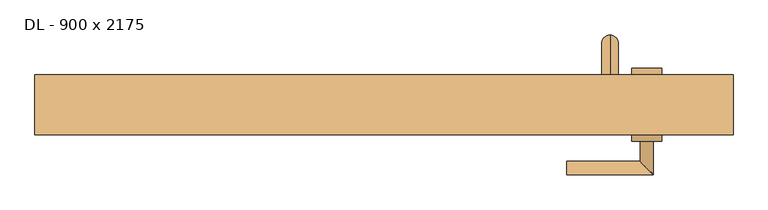
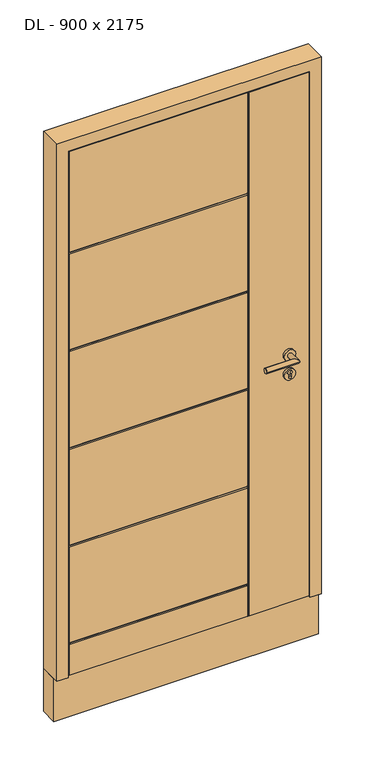
"""IFC4 building model written with IfcOpenShell, lengths in millimetres: door geometry, DL - 900 x 2175."""

from ifc_helpers import new_model, si_unit, point, frame, frame_2d, origin, place, context, project, spatial, polyline, circle_curve, ellipse_curve, trimmed, segment, composite_curve, outline, extrude, faceted_brep, source, transform, mapped, element, save
from ifc_brep_helpers import plane_surface, cylinder_surface, revolved_surface, advanced_brep


def dl_900_x_2175_0f89fcc1(model_context):
    return source(origin(), model_context, "Body", "SolidModel", [
        advanced_brep(
        [(340.0, 230.0, 1875.0), (340.0, 230.0, 1900.0), (340.0, 230.0, 225.0), (340.0, 230.0, 200.0), (340.0, 265.0, 225.0), (340.0, 290.0, 200.0), (340.0, 290.0, 1900.0), (340.0, 265.0, 1875.0)],
        [
            (0, 1, circle_curve(frame((340.0, 230.0, 1887.5), z_axis=(0.0, -1.0, 0.0), x_axis=(0.0, 0.0, 1.0)), 12.5)),
            (1, 0, circle_curve(frame((340.0, 230.0, 1887.5), z_axis=(0.0, -1.0, 0.0), x_axis=(0.0, 0.0, 1.0)), 12.5)),
            (2, 3, circle_curve(frame((340.0, 230.0, 212.5), z_axis=(0.0, -1.0, 0.0), x_axis=(0.0, 0.0, -1.0)), 12.5)),
            (3, 2, circle_curve(frame((340.0, 230.0, 212.5), z_axis=(0.0, -1.0, 0.0), x_axis=(0.0, 0.0, -1.0)), 12.5)),
            (4, 2),
            (3, 5),
            (5, 4, ellipse_curve(frame((340.0, 277.5, 212.5), z_axis=(0.0, -0.7071067811865475, -0.7071067811865475), x_axis=(0.0, 0.7071067811865476, -0.7071067811865474)), 17.6776695, 12.5)),
            (4, 5, ellipse_curve(frame((340.0, 277.5, 212.5), z_axis=(0.0, -0.7071067811865475, -0.7071067811865475), x_axis=(0.0, 0.7071067811865476, -0.7071067811865474)), 17.6776695, 12.5)),
            (6, 5),
            (4, 7),
            (7, 6, ellipse_curve(frame((340.0, 277.5, 1887.5), z_axis=(0.0, 0.7071067811865475, -0.7071067811865475), x_axis=(0.0, 0.7071067811865474, 0.7071067811865476)), 17.6776695, 12.5)),
            (6, 7, ellipse_curve(frame((340.0, 277.5, 1887.5), z_axis=(0.0, 0.7071067811865475, -0.7071067811865475), x_axis=(0.0, 0.7071067811865474, 0.7071067811865476)), 17.6776695, 12.5)),
            (1, 6),
            (7, 0),
        ],
        [
            plane_surface(frame((340.0, 230.0, 1900.0), z_axis=(0.0, -1.0, 0.0), x_axis=(-1.0, 0.0, 0.0))),
            plane_surface(frame((340.0, 230.0, 200.0), z_axis=(0.0, -1.0, 0.0), x_axis=(-1.0, 0.0, 0.0))),
            cylinder_surface(frame((340.0, 290.0, 212.5), z_axis=(0.0, 1.0, 0.0), x_axis=(0.0, 0.0, -1.0)), 12.5),
            cylinder_surface(frame((340.0, 277.5, 1900.0), z_axis=(0.0, 0.0, 1.0), x_axis=(0.0, 1.0, 0.0)), 12.5),
            cylinder_surface(frame((340.0, 230.0, 1887.5), z_axis=(0.0, -1.0, 0.0), x_axis=(0.0, 0.0, 1.0)), 12.5),
        ],
        [
            (0, [[1, 2]]),
            (1, [[3, 4]]),
            (2, [[5, -4, 6, 7]]),
            (2, [[-6, -3, -5, 8]]),
            (3, [[9, -8, 10, 11]]),
            (3, [[-10, -7, -9, 12]]),
            (4, [[13, -11, 14, -2]]),
            (4, [[-14, -12, -13, -1]]),
        ],
    ),
        advanced_brep(
        [(417.5, 230.0, 970.0), (372.5, 230.0, 970.0), (417.5, 240.0, 970.0), (372.5, 240.0, 970.0), (400.0, 240.0, 958.5), (400.0, 240.0, 971.1261365), (390.0, 240.0, 971.1261365), (390.0, 240.0, 958.5), (400.0, 232.0, 958.5), (400.0, 232.0, 971.1261365), (390.0, 232.0, 971.1261365), (390.0, 232.0, 958.5)],
        [
            (0, 1, circle_curve(frame((395.0, 230.0, 970.0), z_axis=(0.0, -1.0, 0.0), x_axis=(-1.0, 0.0, 0.0)), 22.5)),
            (1, 0, circle_curve(frame((395.0, 230.0, 970.0), z_axis=(0.0, -1.0, 0.0), x_axis=(-1.0, 0.0, 0.0)), 22.5)),
            (2, 3, circle_curve(frame((395.0, 240.0, 970.0), z_axis=(0.0, 1.0, 0.0), x_axis=(-1.0, 0.0, 0.0)), 22.5)),
            (3, 2, circle_curve(frame((395.0, 240.0, 970.0), z_axis=(0.0, 1.0, 0.0), x_axis=(-1.0, 0.0, 0.0)), 22.5)),
            (4, 5),
            (5, 6, circle_curve(frame((395.0, 240.0, 978.0), z_axis=(0.0, -1.0, 0.0), x_axis=(-1.0, 0.0, 0.0)), 8.5)),
            (6, 7),
            (7, 4, circle_curve(frame((395.0, 240.0, 958.5), z_axis=(0.0, -1.0, 0.0), x_axis=(-1.0, 0.0, 0.0)), 5.0)),
            (1, 3),
            (2, 0),
            (4, 8),
            (8, 9),
            (9, 5),
            (9, 10, circle_curve(frame((395.0, 232.0, 978.0), z_axis=(0.0, -1.0, 0.0), x_axis=(-1.0, 0.0, 0.0)), 8.5)),
            (10, 6),
            (10, 11),
            (11, 7),
            (11, 8, circle_curve(frame((395.0, 232.0, 958.5), z_axis=(0.0, -1.0, 0.0), x_axis=(-1.0, 0.0, 0.0)), 5.0)),
        ],
        [
            plane_surface(frame((372.5, 230.0, 970.0), z_axis=(0.0, -1.0, 0.0), x_axis=(0.0, 0.0, 1.0))),
            plane_surface(frame((372.5, 240.0, 970.0), z_axis=(0.0, 1.0, 0.0), x_axis=(0.0, 0.0, -1.0))),
            cylinder_surface(frame((395.0, 240.0, 970.0), z_axis=(0.0, -1.0, 0.0), x_axis=(-1.0, 0.0, 0.0)), 22.5),
            plane_surface(frame((400.0, 230.0, 958.5), z_axis=(-1.0, 0.0, 0.0), x_axis=(0.0, 1.0, 0.0))),
            revolved_surface(polyline([(386.5, 240.0, 978.0), (386.5, 232.0, 978.0)]), (395.0, 230.0, 978.0), (0.0, 1.0, 0.0)),
            plane_surface(frame((390.0, 230.0, 971.1261365), z_axis=(1.0, 0.0, 0.0), x_axis=(0.0, 1.0, 0.0))),
            revolved_surface(polyline([(390.0, 240.0, 958.5), (390.0, 232.0, 958.5)]), (395.0, 230.0, 958.5), (0.0, 1.0, 0.0)),
            plane_surface(frame((386.5, 232.0, 978.0), z_axis=(0.0, 1.0, 0.0), x_axis=(0.0, 0.0, -1.0))),
        ],
        [
            (0, [[1, 2]]),
            (1, [[3, 4], [5, 6, 7, 8]]),
            (2, [[9, -3, 10, -2]]),
            (2, [[-10, -4, -9, -1]]),
            (3, [[11, 12, 13, -5]]),
            (4, [[-13, 14, 15, -6]]),
            (5, [[-15, 16, 17, -7]]),
            (6, [[-17, 18, -11, -8]]),
            (7, [[-18, -16, -14, -12]]),
        ],
    ),
        advanced_brep(
        [(-476.0, 140.0, 8.0), (232.0, 140.0, 8.0), (232.0, 140.0, 136.0), (-476.0, 140.0, 136.0), (-476.0, 140.0, 144.0), (232.0, 140.0, 144.0), (232.0, 140.0, 545.2), (-476.0, 140.0, 545.2), (232.0, 140.0, 553.2), (232.0, 140.0, 954.4), (-476.0, 140.0, 954.4), (-476.0, 140.0, 553.2), (232.0, 140.0, 962.4), (232.0, 140.0, 1363.6), (-476.0, 140.0, 1363.6), (-476.0, 140.0, 962.4), (232.0, 140.0, 1371.6), (232.0, 140.0, 1772.8), (-476.0, 140.0, 1772.8), (-476.0, 140.0, 1371.6), (-476.0, 140.0, 2201.0), (-476.0, 140.0, 1780.8), (232.0, 140.0, 1780.8), (232.0, 140.0, 2201.0), (476.0, 140.0, 2201.0), (240.0, 140.0, 2201.0), (240.0, 140.0, 8.0), (476.0, 140.0, 8.0), (476.0, 160.0, 8.0), (476.0, 160.0, 2201.0), (-476.0, 160.0, 8.0), (-476.0, 160.0, 2201.0), (-461.0, 160.0, 2186.0), (-461.0, 160.0, 20.0), (461.0, 160.0, 20.0), (461.0, 160.0, 2186.0), (461.0, 210.0, 20.0), (461.0, 210.0, 2186.0), (-461.0, 210.0, 20.0), (-461.0, 210.0, 2186.0), (-446.0, 210.0, 2171.0), (-446.0, 210.0, 140.0), (446.0, 210.0, 140.0), (446.0, 210.0, 2171.0), (446.0, 230.0, 140.0), (446.0, 230.0, 2171.0), (-446.0, 230.0, 553.2), (-446.0, 230.0, 954.4), (232.0, 230.0, 954.4), (232.0, 230.0, 553.2), (-446.0, 230.0, 962.4), (-446.0, 230.0, 1363.6), (232.0, 230.0, 1363.6), (232.0, 230.0, 962.4), (-446.0, 230.0, 1371.6), (-446.0, 230.0, 1772.8), (232.0, 230.0, 1772.8), (232.0, 230.0, 1371.6), (240.0, 230.0, 140.0), (240.0, 230.0, 2171.0), (-446.0, 230.0, 545.2), (232.0, 230.0, 545.2), (232.0, 230.0, 140.0), (-446.0, 230.0, 140.0), (232.0, 230.0, 2171.0), (232.0, 230.0, 1780.8), (-446.0, 230.0, 1780.8), (-446.0, 230.0, 2171.0), (-446.0, 226.0, 1776.8), (-446.0, 226.0, 1367.6), (-446.0, 226.0, 958.4), (-446.0, 226.0, 549.2), (-476.0, 144.0, 140.0), (-476.0, 144.0, 549.2), (-476.0, 144.0, 958.4), (-476.0, 144.0, 1367.6), (-476.0, 144.0, 1776.8), (236.0, 144.0, 2201.0), (236.0, 226.0, 2171.0), (236.0, 144.0, 8.0), (236.0, 226.0, 140.0), (236.0, 226.0, 549.2), (236.0, 144.0, 549.2), (236.0, 144.0, 140.0), (236.0, 226.0, 958.4), (236.0, 226.0, 1367.6), (236.0, 226.0, 1776.8), (236.0, 144.0, 1776.8), (236.0, 144.0, 1367.6), (236.0, 144.0, 958.4)],
        [
            (0, 1),
            (1, 2),
            (2, 3),
            (3, 0),
            (4, 5),
            (5, 6),
            (6, 7),
            (7, 4),
            (8, 9),
            (9, 10),
            (10, 11),
            (11, 8),
            (12, 13),
            (13, 14),
            (14, 15),
            (15, 12),
            (16, 17),
            (17, 18),
            (18, 19),
            (19, 16),
            (20, 21),
            (21, 22),
            (22, 23),
            (23, 20),
            (24, 25),
            (25, 26),
            (26, 27),
            (27, 24),
            (27, 28),
            (28, 29),
            (29, 24),
            (28, 30),
            (30, 31),
            (31, 29),
            (32, 33),
            (33, 34),
            (34, 35),
            (35, 32),
            (34, 36),
            (36, 37),
            (37, 35),
            (36, 38),
            (38, 39),
            (39, 37),
            (40, 41),
            (41, 42),
            (42, 43),
            (43, 40),
            (42, 44),
            (44, 45),
            (45, 43),
            (46, 47),
            (47, 48),
            (48, 49),
            (49, 46),
            (50, 51),
            (51, 52),
            (52, 53),
            (53, 50),
            (54, 55),
            (55, 56),
            (56, 57),
            (57, 54),
            (44, 58),
            (58, 59),
            (59, 45),
            (60, 61),
            (61, 62),
            (62, 63),
            (63, 60),
            (64, 65),
            (65, 66),
            (66, 67),
            (67, 64),
            (66, 68, circle_curve(frame((-446.0, 226.0, 1780.8), z_axis=(-1.0, 0.0, 0.0), x_axis=(0.0, 1.0, 0.0)), 4.0)),
            (68, 55, circle_curve(frame((-446.0, 226.0, 1772.8), z_axis=(-1.0, 0.0, 0.0), x_axis=(0.0, 1.0, 0.0)), 4.0)),
            (54, 69, circle_curve(frame((-446.0, 226.0, 1371.6), z_axis=(-1.0, 0.0, 0.0), x_axis=(0.0, 1.0, 0.0)), 4.0)),
            (69, 51, circle_curve(frame((-446.0, 226.0, 1363.6), z_axis=(-1.0, 0.0, 0.0), x_axis=(0.0, 1.0, 0.0)), 4.0)),
            (50, 70, circle_curve(frame((-446.0, 226.0, 962.4), z_axis=(-1.0, 0.0, 0.0), x_axis=(0.0, 1.0, 0.0)), 4.0)),
            (70, 47, circle_curve(frame((-446.0, 226.0, 954.4), z_axis=(-1.0, 0.0, 0.0), x_axis=(0.0, 1.0, 0.0)), 4.0)),
            (46, 71, circle_curve(frame((-446.0, 226.0, 553.2), z_axis=(-1.0, 0.0, 0.0), x_axis=(0.0, 1.0, 0.0)), 4.0)),
            (71, 60, circle_curve(frame((-446.0, 226.0, 545.2), z_axis=(-1.0, 0.0, 0.0), x_axis=(0.0, 1.0, 0.0)), 4.0)),
            (63, 41),
            (40, 67),
            (38, 33),
            (32, 39),
            (30, 0),
            (3, 72, circle_curve(frame((-476.0, 144.0, 136.0), z_axis=(-1.0, 0.0, 0.0), x_axis=(0.0, -1.0, 0.0)), 4.0)),
            (72, 4, circle_curve(frame((-476.0, 144.0, 144.0), z_axis=(-1.0, 0.0, 0.0), x_axis=(0.0, -1.0, 0.0)), 4.0)),
            (7, 73, circle_curve(frame((-476.0, 144.0, 545.2), z_axis=(-1.0, 0.0, 0.0), x_axis=(0.0, -1.0, 0.0)), 4.0)),
            (73, 11, circle_curve(frame((-476.0, 144.0, 553.2), z_axis=(-1.0, 0.0, 0.0), x_axis=(0.0, -1.0, 0.0)), 4.0)),
            (10, 74, circle_curve(frame((-476.0, 144.0, 954.4), z_axis=(-1.0, 0.0, 0.0), x_axis=(0.0, -1.0, 0.0)), 4.0)),
            (74, 15, circle_curve(frame((-476.0, 144.0, 962.4), z_axis=(-1.0, 0.0, 0.0), x_axis=(0.0, -1.0, 0.0)), 4.0)),
            (14, 75, circle_curve(frame((-476.0, 144.0, 1363.6), z_axis=(-1.0, 0.0, 0.0), x_axis=(0.0, -1.0, 0.0)), 4.0)),
            (75, 19, circle_curve(frame((-476.0, 144.0, 1371.6), z_axis=(-1.0, 0.0, 0.0), x_axis=(0.0, -1.0, 0.0)), 4.0)),
            (18, 76, circle_curve(frame((-476.0, 144.0, 1772.8), z_axis=(-1.0, 0.0, 0.0), x_axis=(0.0, -1.0, 0.0)), 4.0)),
            (76, 21, circle_curve(frame((-476.0, 144.0, 1780.8), z_axis=(-1.0, 0.0, 0.0), x_axis=(0.0, -1.0, 0.0)), 4.0)),
            (20, 31),
            (23, 77, circle_curve(frame((232.0, 144.0, 2201.0), z_axis=(0.0, 0.0, 1.0), x_axis=(0.0, -1.0, 0.0)), 4.0)),
            (77, 25, circle_curve(frame((240.0, 144.0, 2201.0), z_axis=(0.0, 0.0, 1.0), x_axis=(0.0, -1.0, 0.0)), 4.0)),
            (59, 78, circle_curve(frame((240.0, 226.0, 2171.0), z_axis=(0.0, 0.0, 1.0), x_axis=(0.0, 1.0, 0.0)), 4.0)),
            (78, 64, circle_curve(frame((232.0, 226.0, 2171.0), z_axis=(0.0, 0.0, 1.0), x_axis=(0.0, 1.0, 0.0)), 4.0)),
            (26, 79, circle_curve(frame((240.0, 144.0, 8.0), z_axis=(0.0, 0.0, -1.0), x_axis=(0.0, -1.0, 0.0)), 4.0)),
            (79, 1, circle_curve(frame((232.0, 144.0, 8.0), z_axis=(0.0, 0.0, -1.0), x_axis=(0.0, -1.0, 0.0)), 4.0)),
            (62, 80, circle_curve(frame((232.0, 226.0, 140.0), z_axis=(0.0, 0.0, -1.0), x_axis=(0.0, 1.0, 0.0)), 4.0)),
            (80, 58, circle_curve(frame((240.0, 226.0, 140.0), z_axis=(0.0, 0.0, -1.0), x_axis=(0.0, 1.0, 0.0)), 4.0)),
            (81, 61, ellipse_curve(frame((232.0, 226.0, 545.2), z_axis=(-0.7071067811865475, 0.0, 0.7071067811865476), x_axis=(-0.7071067811865476, 0.0, -0.7071067811865475)), 5.6568542, 4.0)),
            (71, 81),
            (49, 81, ellipse_curve(frame((232.0, 226.0, 553.2), z_axis=(-0.7071067811865475, 0.0, -0.7071067811865475), x_axis=(-0.7071067811865476, 0.0, 0.7071067811865474)), 5.6568542, 4.0)),
            (6, 82, ellipse_curve(frame((232.0, 144.0, 545.2), z_axis=(-0.7071067811865475, 0.0, 0.7071067811865475), x_axis=(0.7071067811865476, 0.0, 0.7071067811865474)), 5.6568542, 4.0)),
            (82, 73),
            (82, 8, ellipse_curve(frame((232.0, 144.0, 553.2), z_axis=(-0.7071067811865475, 0.0, -0.7071067811865476), x_axis=(0.7071067811865476, 0.0, -0.7071067811865475)), 5.6568542, 4.0)),
            (2, 83, ellipse_curve(frame((232.0, 144.0, 136.0), z_axis=(-0.7071067811865475, 0.0, 0.7071067811865475), x_axis=(-0.7071067811865476, 0.0, -0.7071067811865474)), 5.6568542, 4.0)),
            (83, 72),
            (83, 5, ellipse_curve(frame((232.0, 144.0, 144.0), z_axis=(-0.7071067811865475, 0.0, -0.7071067811865476), x_axis=(-0.7071067811865476, 0.0, 0.7071067811865475)), 5.6568542, 4.0)),
            (81, 84),
            (84, 85),
            (85, 86),
            (86, 78),
            (80, 81),
            (48, 84, ellipse_curve(frame((232.0, 226.0, 954.4), z_axis=(0.7071067811865475, 0.0, -0.7071067811865476), x_axis=(0.7071067811865476, 0.0, 0.7071067811865474)), 5.6568542, 4.0)),
            (52, 85, ellipse_curve(frame((232.0, 226.0, 1363.6), z_axis=(0.7071067811865475, 0.0, -0.7071067811865476), x_axis=(0.7071067811865476, 0.0, 0.7071067811865474)), 5.6568542, 4.0)),
            (84, 53, ellipse_curve(frame((232.0, 226.0, 962.4), z_axis=(0.7071067811865475, 0.0, 0.7071067811865475), x_axis=(-0.7071067811865474, 0.0, 0.7071067811865477)), 5.6568542, 4.0)),
            (56, 86, ellipse_curve(frame((232.0, 226.0, 1772.8), z_axis=(0.7071067811865475, 0.0, -0.7071067811865476), x_axis=(0.7071067811865476, 0.0, 0.7071067811865474)), 5.6568542, 4.0)),
            (85, 57, ellipse_curve(frame((232.0, 226.0, 1371.6), z_axis=(0.7071067811865475, 0.0, 0.7071067811865475), x_axis=(-0.7071067811865474, 0.0, 0.7071067811865477)), 5.6568542, 4.0)),
            (86, 65, ellipse_curve(frame((232.0, 226.0, 1780.8), z_axis=(0.7071067811865475, 0.0, 0.7071067811865475), x_axis=(-0.7071067811865474, 0.0, 0.7071067811865477)), 5.6568542, 4.0)),
            (70, 84),
            (83, 79),
            (77, 87),
            (87, 88),
            (88, 89),
            (89, 82),
            (82, 83),
            (22, 87, ellipse_curve(frame((232.0, 144.0, 1780.8), z_axis=(0.7071067811865475, 0.0, 0.7071067811865476), x_axis=(0.7071067811865476, 0.0, -0.7071067811865474)), 5.6568542, 4.0)),
            (87, 17, ellipse_curve(frame((232.0, 144.0, 1772.8), z_axis=(0.7071067811865475, 0.0, -0.7071067811865475), x_axis=(-0.7071067811865474, 0.0, -0.7071067811865477)), 5.6568542, 4.0)),
            (16, 88, ellipse_curve(frame((232.0, 144.0, 1371.6), z_axis=(0.7071067811865475, 0.0, 0.7071067811865476), x_axis=(0.7071067811865476, 0.0, -0.7071067811865474)), 5.6568542, 4.0)),
            (88, 13, ellipse_curve(frame((232.0, 144.0, 1363.6), z_axis=(0.7071067811865475, 0.0, -0.7071067811865475), x_axis=(-0.7071067811865474, 0.0, -0.7071067811865477)), 5.6568542, 4.0)),
            (12, 89, ellipse_curve(frame((232.0, 144.0, 962.4), z_axis=(0.7071067811865475, 0.0, 0.7071067811865476), x_axis=(0.7071067811865476, 0.0, -0.7071067811865474)), 5.6568542, 4.0)),
            (89, 9, ellipse_curve(frame((232.0, 144.0, 954.4), z_axis=(0.7071067811865475, 0.0, -0.7071067811865475), x_axis=(-0.7071067811865474, 0.0, -0.7071067811865477)), 5.6568542, 4.0)),
            (89, 74),
            (88, 75),
            (69, 85),
            (87, 76),
            (68, 86),
        ],
        [
            plane_surface(frame((476.0, 140.0, 2201.0), z_axis=(0.0, -1.0, 0.0), x_axis=(0.0, 0.0, -1.0))),
            plane_surface(frame((476.0, 230.0, 2201.0), z_axis=(1.0, 0.0, 0.0), x_axis=(0.0, 0.0, -1.0))),
            plane_surface(frame((461.0, 160.0, 0.0), z_axis=(0.0, 1.0, 0.0), x_axis=(0.0, 0.0, 1.0))),
            plane_surface(frame((461.0, 210.0, 0.0), z_axis=(1.0, 0.0, 0.0), x_axis=(0.0, 0.0, 1.0))),
            plane_surface(frame((446.0, 210.0, 0.0), z_axis=(0.0, 1.0, 0.0), x_axis=(0.0, 0.0, 1.0))),
            plane_surface(frame((446.0, 230.0, 0.0), z_axis=(1.0, 0.0, 0.0), x_axis=(0.0, 0.0, 1.0))),
            plane_surface(frame((-476.0, 230.0, 2201.0), z_axis=(0.0, 1.0, 0.0), x_axis=(0.0, 0.0, -1.0))),
            plane_surface(frame((-446.0, 230.0, 2171.0), z_axis=(-1.0, 0.0, 0.0), x_axis=(0.0, 0.0, -1.0))),
            plane_surface(frame((-461.0, 210.0, 2186.0), z_axis=(-1.0, 0.0, 0.0), x_axis=(0.0, 0.0, -1.0))),
            plane_surface(frame((-476.0, 140.0, 2201.0), z_axis=(-1.0, 0.0, 0.0), x_axis=(0.0, 0.0, -1.0))),
            plane_surface(frame((476.0, 230.0, 2201.0), z_axis=(0.0, 0.0, 1.0), x_axis=(1.0, 0.0, 0.0))),
            plane_surface(frame((446.0, 230.0, 2171.0), z_axis=(0.0, 0.0, 1.0), x_axis=(-1.0, 0.0, 0.0))),
            plane_surface(frame((461.0, 210.0, 2186.0), z_axis=(0.0, 0.0, 1.0), x_axis=(-1.0, 0.0, 0.0))),
            plane_surface(frame((-476.0, 230.0, 20.0), z_axis=(0.0, 0.0, -1.0), x_axis=(1.0, 0.0, 0.0))),
            plane_surface(frame((-476.0, 160.0, 8.0), z_axis=(0.0, 0.0, -1.0), x_axis=(1.0, 0.0, 0.0))),
            plane_surface(frame((-476.0, 230.0, 140.0), z_axis=(0.0, 0.0, -1.0), x_axis=(1.0, 0.0, 0.0))),
            cylinder_surface(frame((236.0, 226.0, 545.2), z_axis=(-1.0, 0.0, 0.0), x_axis=(0.0, 1.0, 0.0)), 4.0),
            cylinder_surface(frame((236.0, 226.0, 553.2), z_axis=(-1.0, 0.0, 0.0), x_axis=(0.0, 1.0, 0.0)), 4.0),
            cylinder_surface(frame((-516.0, 144.0, 545.2), z_axis=(1.0, 0.0, 0.0), x_axis=(0.0, -1.0, 0.0)), 4.0),
            cylinder_surface(frame((-516.0, 144.0, 553.2), z_axis=(1.0, 0.0, 0.0), x_axis=(0.0, -1.0, 0.0)), 4.0),
            cylinder_surface(frame((236.0, 144.0, 136.0), z_axis=(-1.0, 0.0, 0.0), x_axis=(0.0, -1.0, 0.0)), 4.0),
            cylinder_surface(frame((236.0, 144.0, 144.0), z_axis=(-1.0, 0.0, 0.0), x_axis=(0.0, -1.0, 0.0)), 4.0),
            cylinder_surface(frame((240.0, 226.0, -10.0), z_axis=(0.0, 0.0, 1.0), x_axis=(0.0, 1.0, 0.0)), 4.0),
            cylinder_surface(frame((232.0, 226.0, -10.0), z_axis=(0.0, 0.0, 1.0), x_axis=(0.0, 1.0, 0.0)), 4.0),
            cylinder_surface(frame((236.0, 226.0, 954.4), z_axis=(-1.0, 0.0, 0.0), x_axis=(0.0, 1.0, 0.0)), 4.0),
            cylinder_surface(frame((236.0, 226.0, 962.4), z_axis=(-1.0, 0.0, 0.0), x_axis=(0.0, 1.0, 0.0)), 4.0),
            cylinder_surface(frame((240.0, 144.0, 2211.0), z_axis=(0.0, 0.0, -1.0), x_axis=(0.0, -1.0, 0.0)), 4.0),
            cylinder_surface(frame((232.0, 144.0, 2211.0), z_axis=(0.0, 0.0, -1.0), x_axis=(0.0, -1.0, 0.0)), 4.0),
            cylinder_surface(frame((-516.0, 144.0, 954.4), z_axis=(1.0, 0.0, 0.0), x_axis=(0.0, -1.0, 0.0)), 4.0),
            cylinder_surface(frame((-516.0, 144.0, 962.4), z_axis=(1.0, 0.0, 0.0), x_axis=(0.0, -1.0, 0.0)), 4.0),
            cylinder_surface(frame((-516.0, 144.0, 1363.6), z_axis=(1.0, 0.0, 0.0), x_axis=(0.0, -1.0, 0.0)), 4.0),
            cylinder_surface(frame((-516.0, 144.0, 1371.6), z_axis=(1.0, 0.0, 0.0), x_axis=(0.0, -1.0, 0.0)), 4.0),
            cylinder_surface(frame((236.0, 226.0, 1363.6), z_axis=(-1.0, 0.0, 0.0), x_axis=(0.0, 1.0, 0.0)), 4.0),
            cylinder_surface(frame((236.0, 226.0, 1371.6), z_axis=(-1.0, 0.0, 0.0), x_axis=(0.0, 1.0, 0.0)), 4.0),
            cylinder_surface(frame((-516.0, 144.0, 1772.8), z_axis=(1.0, 0.0, 0.0), x_axis=(0.0, -1.0, 0.0)), 4.0),
            cylinder_surface(frame((-516.0, 144.0, 1780.8), z_axis=(1.0, 0.0, 0.0), x_axis=(0.0, -1.0, 0.0)), 4.0),
            cylinder_surface(frame((236.0, 226.0, 1772.8), z_axis=(-1.0, 0.0, 0.0), x_axis=(0.0, 1.0, 0.0)), 4.0),
            cylinder_surface(frame((236.0, 226.0, 1780.8), z_axis=(-1.0, 0.0, 0.0), x_axis=(0.0, 1.0, 0.0)), 4.0),
        ],
        [
            (0, [[1, 2, 3, 4]]),
            (0, [[5, 6, 7, 8]]),
            (0, [[9, 10, 11, 12]]),
            (0, [[13, 14, 15, 16]]),
            (0, [[17, 18, 19, 20]]),
            (0, [[21, 22, 23, 24]]),
            (0, [[25, 26, 27, 28]]),
            (1, [[-28, 29, 30, 31]]),
            (2, [[-30, 32, 33, 34], [35, 36, 37, 38]]),
            (3, [[-37, 39, 40, 41]]),
            (4, [[-40, 42, 43, 44], [45, 46, 47, 48]]),
            (5, [[-47, 49, 50, 51]]),
            (6, [[52, 53, 54, 55]]),
            (6, [[56, 57, 58, 59]]),
            (6, [[60, 61, 62, 63]]),
            (6, [[64, 65, 66, -50]]),
            (6, [[67, 68, 69, 70]]),
            (6, [[71, 72, 73, 74]]),
            (7, [[-73, 75, 76, -60, 77, 78, -56, 79, 80, -52, 81, 82, -70, 83, -45, 84]]),
            (8, [[-43, 85, -35, 86]]),
            (9, [[-33, 87, -4, 88, 89, -8, 90, 91, -11, 92, 93, -15, 94, 95, -19, 96, 97, -21, 98]]),
            (10, [[-34, -98, -24, 99, 100, -25, -31]]),
            (11, [[-66, 101, 102, -74, -84, -48, -51]]),
            (12, [[-86, -38, -41, -44]]),
            (13, [[-85, -42, -39, -36]]),
            (14, [[-27, 103, 104, -1, -87, -32, -29]]),
            (15, [[-83, -69, 105, 106, -64, -49, -46]]),
            (16, [[107, -67, -82, 108]]),
            (17, [[-81, -55, 109, -108]]),
            (18, [[-90, -7, 110, 111]]),
            (19, [[112, -12, -91, -111]]),
            (20, [[-88, -3, 113, 114]]),
            (21, [[115, -5, -89, -114]]),
            (22, [[116, 117, 118, 119, -101, -65, -106, 120]]),
            (23, [[-54, 121, -116, -109]]),
            (23, [[-58, 122, -117, 123]]),
            (23, [[-62, 124, -118, 125]]),
            (23, [[-105, -68, -107, -120]]),
            (23, [[-119, 126, -71, -102]]),
            (24, [[-121, -53, -80, 127]]),
            (25, [[-79, -59, -123, -127]]),
            (26, [[128, -103, -26, -100, 129, 130, 131, 132, 133]]),
            (27, [[-23, 134, -129, -99]]),
            (27, [[-110, -6, -115, -133]]),
            (27, [[-113, -2, -104, -128]]),
            (27, [[-130, 135, -17, 136]]),
            (27, [[-131, 137, -13, 138]]),
            (27, [[-132, 139, -9, -112]]),
            (28, [[-92, -10, -139, 140]]),
            (29, [[-138, -16, -93, -140]]),
            (30, [[-94, -14, -137, 141]]),
            (31, [[-136, -20, -95, -141]]),
            (32, [[-122, -57, -78, 142]]),
            (33, [[-77, -63, -125, -142]]),
            (34, [[-96, -18, -135, 143]]),
            (35, [[-134, -22, -97, -143]]),
            (36, [[-124, -61, -76, 144]]),
            (37, [[-75, -72, -126, -144]]),
        ],
    ),
        extrude(outline(polyline([(210.0, 140.0), (226.0, 140.0), (226.0, 136.0), (230.0, 136.0), (230.0, 20.0), (225.9609036, 20.0), (225.9609036, 24.0), (221.9609036, 24.0), (221.9609036, 20.0), (210.0, 20.0), (210.0, 140.0)])), frame((-446.0, 0.0, 0.0), z_axis=(1.0, 0.0, 0.0), x_axis=(0.0, 1.0, 0.0)), (0.0, 0.0, 1.0), 892.0),
        faceted_brep([(446.0, 210.0, 0.0), (446.0, 230.0, 0.0), (446.0, 230.0, 7.0), (446.0, 210.0, 9.0), (-446.0, 210.0, 0.0), (-461.0, 210.0, 0.0), (-461.0, 210.0, 9.0), (-446.0, 210.0, 9.0), (461.0, 210.0, 9.0), (461.0, 210.0, 0.0), (461.0, 180.0, 12.0), (461.0, 180.0, 15.0), (461.0, 160.0, 15.0), (461.0, 160.0, 0.0), (-446.0, 230.0, 7.0), (-446.0, 230.0, 0.0), (-461.0, 160.0, 0.0), (-461.0, 160.0, 15.0), (-461.0, 180.0, 15.0), (-461.0, 180.0, 12.0)], [[[0, 1, 2, 3]], [[4, 5, 6, 7]], [[3, 8, 9, 0]], [[8, 10, 11, 12, 13, 9]], [[7, 14, 15, 4]], [[5, 16, 17, 18, 19, 6]], [[17, 16, 13, 12]], [[16, 5, 4, 15, 1, 0, 9, 13]], [[15, 14, 2, 1]], [[12, 11, 18, 17]], [[14, 7, 6, 19, 10, 8, 3, 2]], [[11, 10, 19, 18]]]),
        advanced_brep(
        [(417.5, 140.0, 970.0), (372.5, 140.0, 970.0), (417.5, 130.0, 970.0), (372.5, 130.0, 970.0), (400.0, 130.0, 958.5), (390.0, 130.0, 958.5), (390.0, 130.0, 971.1261365), (400.0, 130.0, 971.1261365), (400.0, 138.0, 971.1261365), (400.0, 138.0, 958.5), (390.0, 138.0, 971.1261365), (390.0, 138.0, 958.5)],
        [
            (0, 1, circle_curve(frame((395.0, 140.0, 970.0), z_axis=(0.0, 1.0, 0.0), x_axis=(-1.0, 0.0, 0.0)), 22.5)),
            (1, 0, circle_curve(frame((395.0, 140.0, 970.0), z_axis=(0.0, 1.0, 0.0), x_axis=(-1.0, 0.0, 0.0)), 22.5)),
            (2, 3, circle_curve(frame((395.0, 130.0, 970.0), z_axis=(0.0, -1.0, 0.0), x_axis=(-1.0, 0.0, 0.0)), 22.5)),
            (3, 2, circle_curve(frame((395.0, 130.0, 970.0), z_axis=(0.0, -1.0, 0.0), x_axis=(-1.0, 0.0, 0.0)), 22.5)),
            (4, 5, circle_curve(frame((395.0, 130.0, 958.5), z_axis=(0.0, 1.0, 0.0), x_axis=(-1.0, 0.0, 0.0)), 5.0)),
            (5, 6),
            (6, 7, circle_curve(frame((395.0, 130.0, 978.0), z_axis=(0.0, 1.0, 0.0), x_axis=(-1.0, 0.0, 0.0)), 8.5)),
            (7, 4),
            (0, 2),
            (3, 1),
            (7, 8),
            (8, 9),
            (9, 4),
            (6, 10),
            (10, 8, circle_curve(frame((395.0, 138.0, 978.0), z_axis=(0.0, 1.0, 0.0), x_axis=(-1.0, 0.0, 0.0)), 8.5)),
            (5, 11),
            (11, 10),
            (9, 11, circle_curve(frame((395.0, 138.0, 958.5), z_axis=(0.0, 1.0, 0.0), x_axis=(-1.0, 0.0, 0.0)), 5.0)),
        ],
        [
            plane_surface(frame((372.5, 140.0, 970.0), z_axis=(0.0, 1.0, 0.0), x_axis=(0.0, 0.0, 1.0))),
            plane_surface(frame((372.5, 130.0, 970.0), z_axis=(0.0, -1.0, 0.0), x_axis=(0.0, 0.0, -1.0))),
            cylinder_surface(frame((395.0, 130.0, 970.0), z_axis=(0.0, 1.0, 0.0), x_axis=(-1.0, 0.0, 0.0)), 22.5),
            plane_surface(frame((400.0, 140.0, 958.5), z_axis=(-1.0, 0.0, 0.0), x_axis=(0.0, -1.0, 0.0))),
            revolved_surface(polyline([(386.5, 130.0, 978.0), (386.5, 138.0, 978.0)]), (395.0, 140.0, 978.0), (0.0, -1.0, 0.0)),
            plane_surface(frame((390.0, 140.0, 971.1261365), z_axis=(1.0, 0.0, 0.0), x_axis=(0.0, -1.0, 0.0))),
            revolved_surface(polyline([(390.0, 130.0, 958.5), (390.0, 138.0, 958.5)]), (395.0, 140.0, 958.5), (0.0, -1.0, 0.0)),
            plane_surface(frame((400.0, 138.0, 958.5), z_axis=(0.0, -1.0, 0.0), x_axis=(0.0, 0.0, 1.0))),
        ],
        [
            (0, [[1, 2]]),
            (1, [[3, 4], [5, 6, 7, 8]]),
            (2, [[-1, 9, -4, 10]]),
            (2, [[-2, -10, -3, -9]]),
            (3, [[-8, 11, 12, 13]]),
            (4, [[-7, 14, 15, -11]]),
            (5, [[-6, 16, 17, -14]]),
            (6, [[-5, -13, 18, -16]]),
            (7, [[-12, -15, -17, -18]]),
        ],
    ),
        advanced_brep(
        [(385.0, 130.0, 1050.0), (405.0, 130.0, 1050.0), (385.0, 100.0, 1050.0), (405.0, 80.0, 1050.0), (275.0, 100.0, 1050.0), (275.0, 80.0, 1050.0)],
        [
            (0, 1, circle_curve(frame((395.0, 130.0, 1050.0), z_axis=(0.0, 1.0, 0.0), x_axis=(1.0, 0.0, 0.0)), 10.0)),
            (1, 0, circle_curve(frame((395.0, 130.0, 1050.0), z_axis=(0.0, 1.0, 0.0), x_axis=(1.0, 0.0, 0.0)), 10.0)),
            (0, 2),
            (2, 3, ellipse_curve(frame((395.0, 90.0, 1050.0), z_axis=(0.7071067811865486, 0.7071067811865464, 0.0), x_axis=(-0.7071067811865464, 0.7071067811865488, 0.0)), 14.1421356, 10.0)),
            (3, 1),
            (3, 2, ellipse_curve(frame((395.0, 90.0, 1050.0), z_axis=(0.7071067811865486, 0.7071067811865464, 0.0), x_axis=(-0.7071067811865464, 0.7071067811865488, 0.0)), 14.1421356, 10.0)),
            (4, 5, circle_curve(frame((275.0, 90.0, 1050.0), z_axis=(-1.0, 0.0, 0.0), x_axis=(0.0, -1.0, 0.0)), 10.0)),
            (5, 4, circle_curve(frame((275.0, 90.0, 1050.0), z_axis=(-1.0, 0.0, 0.0), x_axis=(0.0, -1.0, 0.0)), 10.0)),
            (2, 4),
            (5, 3),
        ],
        [
            plane_surface(frame((395.0, 130.0, 1050.0), z_axis=(0.0, 1.0, 0.0), x_axis=(0.0, 0.0, 1.0))),
            cylinder_surface(frame((395.0, 130.0, 1050.0), z_axis=(0.0, 1.0, 0.0), x_axis=(1.0, 0.0, 0.0)), 10.0),
            plane_surface(frame((275.0, 90.0, 1050.0), z_axis=(-1.0, 0.0, 0.0), x_axis=(0.0, 0.0, 1.0))),
            cylinder_surface(frame((395.0, 90.0, 1050.0), z_axis=(1.0, 0.0, 0.0), x_axis=(0.0, -1.0, 0.0)), 10.0),
        ],
        [
            (0, [[1, 2]]),
            (1, [[-1, 3, 4, 5]]),
            (1, [[-2, -5, 6, -3]]),
            (2, [[7, 8]]),
            (3, [[-4, 9, -8, 10]]),
            (3, [[-6, -10, -7, -9]]),
        ],
    ),
        advanced_brep(
        [(385.0, 130.0, 1050.0), (405.0, 130.0, 1050.0), (385.0, 100.0, 1050.0), (405.0, 80.0, 1050.0), (275.0, 100.0, 1050.0), (275.0, 80.0, 1050.0)],
        [
            (0, 1, circle_curve(frame((395.0, 130.0, 1050.0), z_axis=(0.0, 1.0, 0.0), x_axis=(1.0, 0.0, 0.0)), 10.0)),
            (1, 0, circle_curve(frame((395.0, 130.0, 1050.0), z_axis=(0.0, 1.0, 0.0), x_axis=(1.0, 0.0, 0.0)), 10.0)),
            (0, 2),
            (2, 3, ellipse_curve(frame((395.0, 90.0, 1050.0), z_axis=(0.7071067811865491, 0.7071067811865459, 0.0), x_axis=(-0.7071067811865458, 0.7071067811865492, 0.0)), 14.1421356, 10.0)),
            (3, 1),
            (3, 2, ellipse_curve(frame((395.0, 90.0, 1050.0), z_axis=(0.7071067811865491, 0.7071067811865459, 0.0), x_axis=(-0.7071067811865458, 0.7071067811865492, 0.0)), 14.1421356, 10.0)),
            (4, 5, circle_curve(frame((275.0, 90.0, 1050.0), z_axis=(-1.0, 0.0, 0.0), x_axis=(0.0, -1.0, 0.0)), 10.0)),
            (5, 4, circle_curve(frame((275.0, 90.0, 1050.0), z_axis=(-1.0, 0.0, 0.0), x_axis=(0.0, -1.0, 0.0)), 10.0)),
            (2, 4),
            (5, 3),
        ],
        [
            plane_surface(frame((395.0, 130.0, 1050.0), z_axis=(0.0, 1.0, 0.0), x_axis=(0.0, 0.0, 1.0))),
            cylinder_surface(frame((395.0, 130.0, 1050.0), z_axis=(0.0, 1.0, 0.0), x_axis=(1.0, 0.0, 0.0)), 10.0),
            plane_surface(frame((275.0, 90.0, 1050.0), z_axis=(-1.0, 0.0, 0.0), x_axis=(0.0, 0.0, 1.0))),
            cylinder_surface(frame((395.0, 90.0, 1050.0), z_axis=(1.0, 0.0, 0.0), x_axis=(0.0, -1.0, 0.0)), 10.0),
        ],
        [
            (0, [[1, 2]]),
            (1, [[-1, 3, 4, 5]]),
            (1, [[-2, -5, 6, -3]]),
            (2, [[7, 8]]),
            (3, [[-4, 9, -8, 10]]),
            (3, [[-6, -10, -7, -9]]),
        ],
    ),
        extrude(outline(composite_curve([segment(trimmed(circle_curve(frame_2d((1050.0, 395.0)), 22.5), [point((1050.0, 417.5))], [point((1050.0, 372.5))], False, "CARTESIAN"), True, "CONTINUOUS"), segment(trimmed(circle_curve(frame_2d((1050.0, 395.0)), 22.5), [point((1050.0, 372.5))], [point((1050.0, 417.5))], False, "CARTESIAN"), True, "CONTINUOUS")], self_intersect=False)), frame((0.0, 130.0, 0.0), z_axis=(0.0, 1.0, 0.0), x_axis=(0.0, 0.0, 1.0)), (0.0, 0.0, 1.0), 10.0),
        faceted_brep([(-525.0, 140.0, 2250.0), (-525.0, 140.0, 0.0), (-480.0, 140.0, 0.0), (-480.0, 140.0, 2205.0), (480.0, 140.0, 2205.0), (480.0, 140.0, 0.0), (525.0, 140.0, 0.0), (525.0, 140.0, 2250.0), (-525.0, 230.0, 2250.0), (-525.0, 230.0, 0.0), (-450.0, 230.0, 0.0), (-450.0, 210.0, 0.0), (-465.0, 210.0, 0.0), (-465.0, 160.0, 0.0), (-480.0, 160.0, 0.0), (-480.0, 160.0, 2205.0), (480.0, 160.0, 2205.0), (480.0, 160.0, 0.0), (450.0, 230.0, 0.0), (525.0, 230.0, 0.0), (465.0, 160.0, 0.0), (465.0, 210.0, 0.0), (450.0, 210.0, 0.0), (525.0, 230.0, 2250.0), (450.0, 230.0, 2175.0), (-450.0, 230.0, 2175.0), (450.0, 210.0, 2175.0), (-450.0, 210.0, 2175.0), (-465.0, 160.0, 2190.0), (465.0, 160.0, 2190.0), (465.0, 210.0, 2190.0), (-465.0, 210.0, 2190.0)], [[[0, 1, 2, 3, 4, 5, 6, 7]], [[1, 0, 8, 9]], [[9, 10, 11, 12, 13, 14, 2, 1]], [[14, 15, 3, 2]], [[16, 17, 5, 4]], [[18, 19, 6, 5, 17, 20, 21, 22]], [[7, 6, 19, 23]], [[8, 23, 19, 18, 24, 25, 10, 9]], [[24, 18, 22, 26]], [[10, 25, 27, 11]], [[15, 14, 13, 28, 29, 20, 17, 16]], [[20, 29, 30, 21]], [[31, 12, 11, 27, 26, 22, 21, 30]], [[28, 13, 12, 31]], [[0, 7, 23, 8]], [[25, 24, 26, 27]], [[3, 15, 16, 4]], [[29, 28, 31, 30]]]),
        extrude(outline(polyline([(525.0, 230.0), (525.0, 160.0), (-525.0, 160.0), (-525.0, 230.0), (525.0, 230.0)])), frame((0.0, 0.0, -180.0), z_axis=(0.0, 0.0, 1.0), x_axis=(1.0, 0.0, 0.0)), (0.0, 0.0, 1.0), 180.0),
    ])


if __name__ == "__main__":
    model = new_model("IFC4")
    model_context = context("Model", 3, world=origin())
    ifc_project = project(units=[si_unit("LENGTHUNIT", "METRE", prefix="MILLI")], contexts=[model_context])
    site = spatial("IfcSite", under=ifc_project)
    building = spatial("IfcBuilding", under=site)
    placement = place(None, origin())
    dl_900_x_2175_shape = dl_900_x_2175_0f89fcc1(model_context)
    element("IfcDoor", 1, ObjectType="DL - 900 x 2175", at=placement, inside=building, context=model_context, shape_type="MappedRepresentation", body=[
        mapped(dl_900_x_2175_shape, transform((0.0, 0.0, 0.0), x_axis=(1.0, 0.0, 0.0), y_axis=(0.0, 1.0, 0.0), z_axis=(0.0, 0.0, 1.0))),
    ])
    save(model, "model.ifc")
